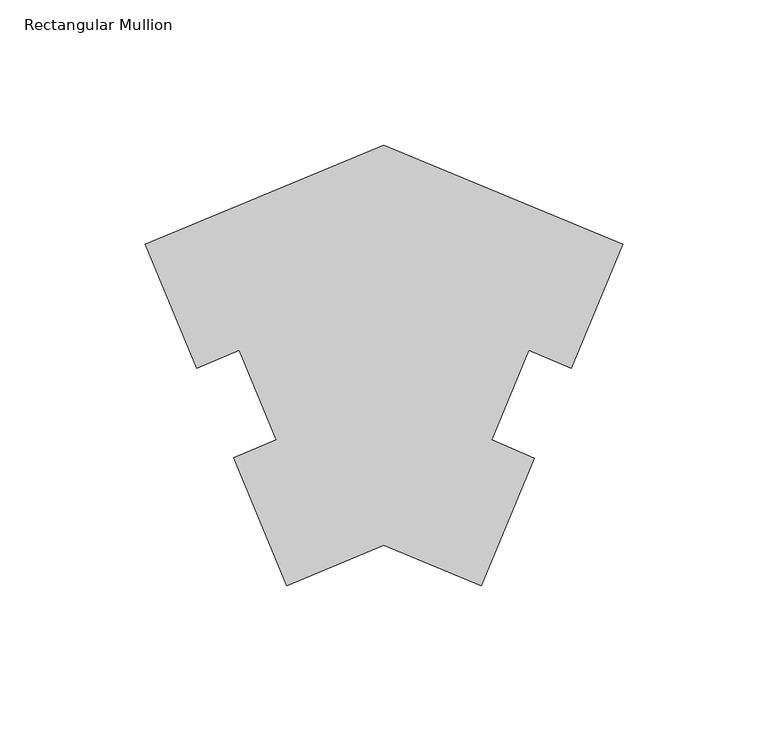
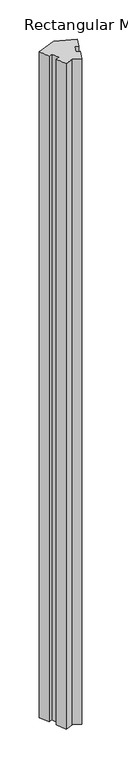
"""IFC4 building model written with IfcOpenShell, lengths in millimetres: member geometry, Rectangular Mullion."""

from ifc_helpers import new_model, si_unit, frame, origin, place, context, project, spatial, polyline, outline, extrude, source, transform, mapped, element, save


def rectangular_mullion_8a3e0099(model_context):
    return source(origin(), model_context, "Body", "SweptSolid", [
        extrude(outline(polyline([(0.0, -33.9606434), (-17.6329178, -76.567113), (-32.2271576, -70.3171973), (-44.9950685, -101.1683368), (-30.4008285, -107.4182526), (-48.564922, -151.3082035), (-81.9882458, -137.4638094), (-115.4115724, -151.3082046), (-133.5695378, -107.4077381), (-118.9740242, -101.1607972), (-131.7356465, -70.3070558), (-146.3311598, -76.5539966), (-163.9525783, -33.9507381), (-81.9882458, 0.0), (0.0, -33.9606434)])), frame((0.0, 0.0, -3048.0), z_axis=(0.0, 0.0, 1.0), x_axis=(1.0, 0.0, 0.0)), (0.0, 0.0, 1.0), 3048.0),
    ])


if __name__ == "__main__":
    model = new_model("IFC4")
    model_context = context("Model", 3, world=origin())
    ifc_project = project(units=[si_unit("LENGTHUNIT", "METRE", prefix="MILLI")], contexts=[model_context])
    site = spatial("IfcSite", under=ifc_project)
    building = spatial("IfcBuilding", under=site)
    placement = place(None, origin())
    rectangular_mullion_shape = rectangular_mullion_8a3e0099(model_context)
    element("IfcMember", 1, ObjectType="Rectangular Mullion", at=placement, inside=building, context=model_context, shape_type="MappedRepresentation", body=[
        mapped(rectangular_mullion_shape, transform((0.0, 0.0, 0.0), x_axis=(1.0, 0.0, 0.0), y_axis=(0.0, 1.0, 0.0), z_axis=(0.0, 0.0, 1.0))),
    ])
    save(model, "model.ifc")
